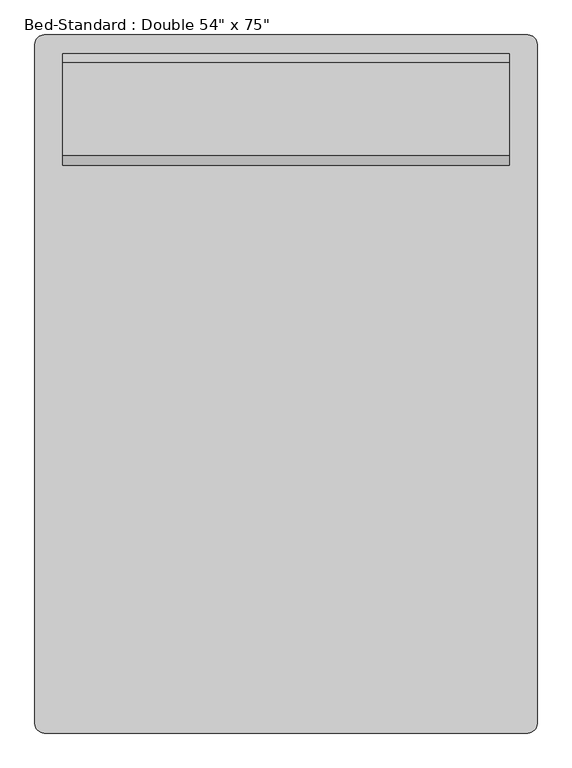
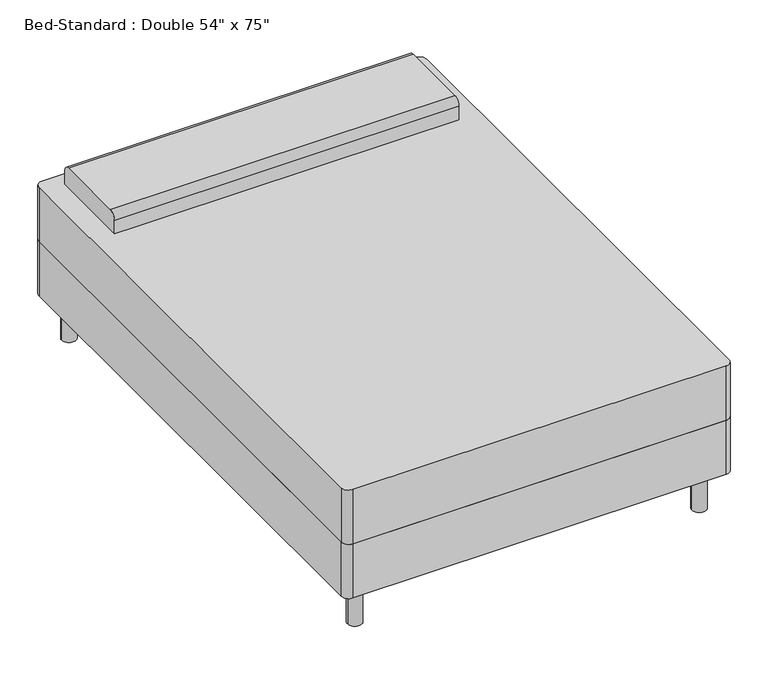
"""IFC4 building model written with IfcOpenShell, lengths in millimetres: furniture geometry."""

from ifc_helpers import new_model, si_unit, point, frame, frame_2d, origin, origin_with_axes, place, context, project, spatial, polyline, circle_curve, trimmed, segment, composite_curve, outline, extrude, source, transform, mapped, element, save


def furniture_52ef1662(model_context):
    return source(origin(), model_context, "Body", "SweptSolid", [
        extrude(outline(composite_curve([segment(polyline([(-388.9114754, 906.904918), (931.8885246, 906.904918)]), True, "CONTINUOUS"), segment(trimmed(circle_curve(frame_2d((931.8885246, 881.504918)), 25.4), [point((931.8885246, 906.904918))], [point((957.2885246, 881.504918))], False, "CARTESIAN"), True, "CONTINUOUS"), segment(polyline([(957.2885246, 881.504918), (957.2885246, -972.695082)]), True, "CONTINUOUS"), segment(trimmed(circle_curve(frame_2d((931.8885246, -972.695082)), 25.4), [point((957.2885246, -972.695082))], [point((931.8885246, -998.095082))], False, "CARTESIAN"), True, "CONTINUOUS"), segment(polyline([(931.8885246, -998.095082), (-388.9114754, -998.095082)]), True, "CONTINUOUS"), segment(trimmed(circle_curve(frame_2d((-388.9114754, -972.695082)), 25.4), [point((-388.9114754, -998.095082))], [point((-414.3114754, -972.695082))], False, "CARTESIAN"), True, "CONTINUOUS"), segment(polyline([(-414.3114754, -972.695082), (-414.3114754, 881.504918)]), True, "CONTINUOUS"), segment(trimmed(circle_curve(frame_2d((-388.9114754, 881.504918)), 25.4), [point((-414.3114754, 881.504918))], [point((-388.9114754, 906.904918))], False, "CARTESIAN"), True, "CONTINUOUS")], self_intersect=False)), frame((0.0, 0.0, 355.6), z_axis=(0.0, 0.0, 1.0), x_axis=(1.0, 0.0, 0.0)), (0.0, 0.0, 1.0), 203.2),
        extrude(outline(composite_curve([segment(trimmed(circle_curve(frame_2d((-338.1114754, 830.704918)), 25.4), [point((-363.5114754, 830.704918))], [point((-312.7114754, 830.704918))], False, "CARTESIAN"), True, "CONTINUOUS"), segment(trimmed(circle_curve(frame_2d((-338.1114754, 830.704918)), 25.4), [point((-312.7114754, 830.704918))], [point((-363.5114754, 830.704918))], False, "CARTESIAN"), True, "CONTINUOUS")], self_intersect=False)), origin_with_axes(), (0.0, 0.0, 1.0), 152.4),
        extrude(outline(composite_curve([segment(trimmed(circle_curve(frame_2d((881.0885246, 830.704918)), 25.4), [point((855.6885246, 830.704918))], [point((906.4885246, 830.704918))], False, "CARTESIAN"), True, "CONTINUOUS"), segment(trimmed(circle_curve(frame_2d((881.0885246, 830.704918)), 25.4), [point((906.4885246, 830.704918))], [point((855.6885246, 830.704918))], False, "CARTESIAN"), True, "CONTINUOUS")], self_intersect=False)), origin_with_axes(), (0.0, 0.0, 1.0), 152.4),
        extrude(outline(composite_curve([segment(trimmed(circle_curve(frame_2d((881.0885246, -921.895082)), 25.4), [point((855.6885246, -921.895082))], [point((906.4885246, -921.895082))], False, "CARTESIAN"), True, "CONTINUOUS"), segment(trimmed(circle_curve(frame_2d((881.0885246, -921.895082)), 25.4), [point((906.4885246, -921.895082))], [point((855.6885246, -921.895082))], False, "CARTESIAN"), True, "CONTINUOUS")], self_intersect=False)), origin_with_axes(), (0.0, 0.0, 1.0), 152.4),
        extrude(outline(composite_curve([segment(trimmed(circle_curve(frame_2d((-338.1114754, -921.895082)), 25.4), [point((-363.5114754, -921.895082))], [point((-312.7114754, -921.895082))], False, "CARTESIAN"), True, "CONTINUOUS"), segment(trimmed(circle_curve(frame_2d((-338.1114754, -921.895082)), 25.4), [point((-312.7114754, -921.895082))], [point((-363.5114754, -921.895082))], False, "CARTESIAN"), True, "CONTINUOUS")], self_intersect=False)), origin_with_axes(), (0.0, 0.0, 1.0), 152.4),
        extrude(outline(composite_curve([segment(polyline([(551.304918, 558.8), (551.304918, 609.6)]), True, "CONTINUOUS"), segment(trimmed(circle_curve(frame_2d((576.704918, 609.6)), 25.4), [point((551.304918, 609.6))], [point((576.704918, 635.0))], False, "CARTESIAN"), True, "CONTINUOUS"), segment(polyline([(576.704918, 635.0), (830.704918, 635.0)]), True, "CONTINUOUS"), segment(trimmed(circle_curve(frame_2d((830.704918, 609.6)), 25.4), [point((830.704918, 635.0))], [point((856.104918, 609.6))], False, "CARTESIAN"), True, "CONTINUOUS"), segment(polyline([(856.104918, 609.6), (856.104918, 558.8), (551.304918, 558.8)]), True, "CONTINUOUS")], self_intersect=False)), frame((-338.1114754, 0.0, 0.0), z_axis=(1.0, 0.0, 0.0), x_axis=(0.0, 1.0, 0.0)), (0.0, 0.0, 1.0), 1219.2),
        extrude(outline(composite_curve([segment(polyline([(-414.3114754, -972.695082), (-414.3114754, 881.504918)]), True, "CONTINUOUS"), segment(trimmed(circle_curve(frame_2d((-388.9114754, 881.504918)), 25.4), [point((-414.3114754, 881.504918))], [point((-388.9114754, 906.904918))], False, "CARTESIAN"), True, "CONTINUOUS"), segment(polyline([(-388.9114754, 906.904918), (931.8885246, 906.904918)]), True, "CONTINUOUS"), segment(trimmed(circle_curve(frame_2d((931.8885246, 881.504918)), 25.4), [point((931.8885246, 906.904918))], [point((957.2885246, 881.504918))], False, "CARTESIAN"), True, "CONTINUOUS"), segment(polyline([(957.2885246, 881.504918), (957.2885246, -972.695082)]), True, "CONTINUOUS"), segment(trimmed(circle_curve(frame_2d((931.8885246, -972.695082)), 25.4), [point((957.2885246, -972.695082))], [point((931.8885246, -998.095082))], False, "CARTESIAN"), True, "CONTINUOUS"), segment(polyline([(931.8885246, -998.095082), (-388.9114754, -998.095082)]), True, "CONTINUOUS"), segment(trimmed(circle_curve(frame_2d((-388.9114754, -972.695082)), 25.4), [point((-388.9114754, -998.095082))], [point((-414.3114754, -972.695082))], False, "CARTESIAN"), True, "CONTINUOUS")], self_intersect=False)), frame((0.0, 0.0, 152.4), z_axis=(0.0, 0.0, 1.0), x_axis=(1.0, 0.0, 0.0)), (0.0, 0.0, 1.0), 203.2),
    ])


if __name__ == "__main__":
    model = new_model("IFC4")
    model_context = context("Model", 3, world=origin())
    ifc_project = project(units=[si_unit("LENGTHUNIT", "METRE", prefix="MILLI")], contexts=[model_context])
    site = spatial("IfcSite", under=ifc_project)
    building = spatial("IfcBuilding", under=site)
    placement = place(None, origin())
    furniture_shape = furniture_52ef1662(model_context)
    element("IfcFurniture", 1, ObjectType="Bed-Standard : Double 54\" x 75\"", at=placement, inside=building, context=model_context, shape_type="MappedRepresentation", body=[
        mapped(furniture_shape, transform((0.0, 0.0, 0.0), x_axis=(1.0, 0.0, 0.0), y_axis=(0.0, 1.0, 0.0), z_axis=(0.0, 0.0, 1.0))),
    ])
    save(model, "model.ifc")
